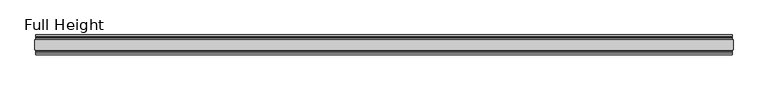
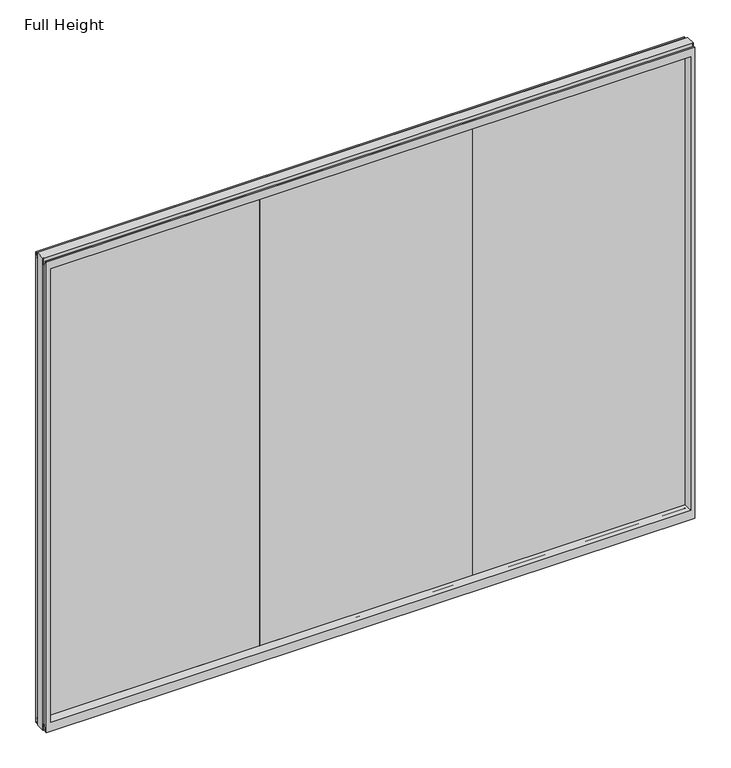
"""IFC4 building model written with IfcOpenShell, lengths in millimetres: plate geometry, Full Height."""

from ifc_helpers import new_model, si_unit, frame, origin, place, context, project, spatial, polyline, circle_curve, outline, extrude, source, transform, mapped, element, save
from ifc_brep_helpers import plane_surface, cylinder_surface, revolved_surface, advanced_brep


def full_height_6da374fe(model_context):
    return source(origin(), model_context, "Body", "SolidModel", [
        extrude(outline(polyline([(572.5265984, 6.35), (572.5265984, -6.35), (-572.5265984, -6.35), (-572.5265984, 6.35), (572.5265984, 6.35)])), frame((0.0, 0.0, 58.801), z_axis=(0.0, 0.0, 1.0), x_axis=(1.0, 0.0, 0.0)), (0.0, 0.0, 1.0), 2569.845),
        extrude(outline(polyline([(-572.5265984, 6.35), (-572.5265984, -6.35), (-1717.5797952, -6.35), (-1717.5797952, 6.35), (-572.5265984, 6.35)])), frame((0.0, 0.0, 58.801), z_axis=(0.0, 0.0, 1.0), x_axis=(1.0, 0.0, 0.0)), (0.0, 0.0, 1.0), 2569.845),
        extrude(outline(polyline([(572.5265984, 6.35), (1717.5797952, 6.35), (1717.5797952, -6.35), (572.5265984, -6.35), (572.5265984, 6.35)])), frame((0.0, 0.0, 58.801), z_axis=(0.0, 0.0, 1.0), x_axis=(1.0, 0.0, 0.0)), (0.0, 0.0, 1.0), 2569.845),
        advanced_brep(
        [(1750.2187952, 25.146, 2688.336), (1745.6467952, 25.146, 2688.336), (1745.6467952, 26.67, 2688.336), (-1745.6467952, 26.67, 2688.336), (-1745.6467952, 25.146, 2688.336), (-1750.2187952, 25.146, 2688.336), (-1750.2187952, -25.146, 2688.336), (-1745.6467952, -25.146, 2688.336), (-1745.6467952, -26.67, 2688.336), (1745.6467952, -26.67, 2688.336), (1745.6467952, -25.146, 2688.336), (1750.2187952, -25.146, 2688.336), (1750.2187952, 25.146, 0.0), (1750.2187952, -25.146, 0.0), (1745.6467952, -25.146, 0.0), (1745.6467952, -26.67, 0.0), (-1745.6467952, -26.67, 0.0), (-1745.6467952, -25.146, 0.0), (-1750.2187952, -25.146, 0.0), (-1750.2187952, 25.146, 0.0), (-1745.6467952, 25.146, 0.0), (-1745.6467952, 26.67, 0.0), (1745.6467952, 26.67, 0.0), (1745.6467952, 25.146, 0.0), (-1745.6467952, 40.7946686, 0.0), (-1745.6467952, 50.0, 0.0), (1745.6467952, 50.0, 0.0), (1745.6467952, 40.7946686, 0.0), (-1745.6467952, 26.67, 36.4542208), (1745.6467952, 26.67, 36.4542208), (-1745.6467952, -26.67, 36.4542208), (-1745.6467952, -34.2686707, 36.8568054), (-1745.6467952, -36.9464913, 11.6561909), (-1745.6467952, -39.043018, 8.6755976), (-1745.6467952, -39.5246686, 7.9074686), (-1745.6467952, -39.5246686, 1.27), (-1745.6467952, -40.7946686, 0.0), (-1745.6467952, -50.0, 0.0), (-1745.6467952, -50.0, 2679.192), (-1745.6467952, -39.9371387, 2679.192), (-1745.6467952, -39.1867152, 2678.5623199), (-1745.6467952, -34.2321175, 2650.4634004), (-1745.6467952, -26.67, 2651.125), (-1745.6467952, 39.5246686, 1.27), (-1745.6467952, 39.5246686, 7.9074686), (-1745.6467952, 39.043018, 8.6755976), (-1745.6467952, 36.9464913, 11.6561909), (-1745.6467952, 34.2686707, 36.8568054), (-1745.6467952, 26.67, 2651.125), (-1745.6467952, 34.2321175, 2650.4634004), (-1745.6467952, 39.1867152, 2678.5623199), (-1745.6467952, 39.9371387, 2679.192), (-1745.6467952, 50.0, 2679.192), (1745.6467952, -50.0, 0.0), (1745.6467952, -50.0, 2679.192), (-1723.5487952, -50.0, 2634.615), (1723.5487952, -50.0, 2634.615), (1723.5487952, -50.0, 52.8372208), (-1723.5487952, -50.0, 52.8372208), (1745.6467952, 50.0, 2679.192), (-1723.5487952, 50.0, 52.8372208), (1723.5487952, 50.0, 52.8372208), (1723.5487952, 50.0, 2634.615), (-1723.5487952, 50.0, 2634.615), (-1717.5797952, -6.1006519, 58.8062208), (-1717.5797952, -6.1006519, 2628.646), (-1717.5797952, 6.1006519, 2628.646), (-1717.5797952, 6.1006519, 58.8062208), (1717.5797952, 6.1006519, 58.8062208), (1717.5797952, 6.1006519, 2628.646), (1717.5797952, -6.1006519, 2628.646), (1717.5797952, -6.1006519, 58.8062208), (1745.6467952, -40.7946686, 0.0), (1745.6467952, -39.5246686, 1.27), (1745.6467952, -39.5246686, 7.9074686), (1745.6467952, -39.043018, 8.6755976), (1745.6467952, -36.9464913, 11.6561909), (1745.6467952, -34.2686707, 36.8568054), (1745.6467952, -26.67, 36.4542208), (1745.6467952, -26.67, 2651.125), (1745.6467952, -34.2321175, 2650.4634004), (1745.6467952, -39.1867152, 2678.5623199), (1745.6467952, -39.9371387, 2679.192), (1745.6467952, 39.9371387, 2679.192), (1745.6467952, 39.1867152, 2678.5623199), (1745.6467952, 34.2321175, 2650.4634004), (1745.6467952, 26.67, 2651.125), (1745.6467952, 34.2686707, 36.8568054), (1745.6467952, 36.9464913, 11.6561909), (1745.6467952, 39.043018, 8.6755976), (1745.6467952, 39.5246686, 7.9074686), (1745.6467952, 39.5246686, 1.27)],
        [
            (0, 1),
            (1, 2),
            (2, 3),
            (3, 4),
            (4, 5),
            (5, 6),
            (6, 7),
            (7, 8),
            (8, 9),
            (9, 10),
            (10, 11),
            (11, 0),
            (12, 13),
            (13, 14),
            (14, 15),
            (15, 16),
            (16, 17),
            (17, 18),
            (18, 19),
            (19, 20),
            (20, 21),
            (21, 22),
            (22, 23),
            (23, 12),
            (23, 1),
            (0, 12),
            (10, 14),
            (13, 11),
            (5, 19),
            (18, 6),
            (17, 7),
            (4, 20),
            (24, 25),
            (25, 26),
            (26, 27),
            (27, 24),
            (21, 28),
            (28, 29),
            (29, 22),
            (16, 30),
            (30, 31, circle_curve(frame((-1745.6467952, -30.48, 36.4542208), z_axis=(1.0, 0.0, 0.0), x_axis=(0.0, -1.0, 0.0)), 3.81)),
            (31, 32),
            (32, 33, circle_curve(frame((-1745.6467952, -40.6770502, 12.0526006), z_axis=(-1.0, 0.0, 0.0), x_axis=(0.0, -1.0, 0.0)), 3.751561)),
            (33, 34, circle_curve(frame((-1745.6467952, -38.671343, 7.9074686), z_axis=(1.0, 0.0, 0.0), x_axis=(0.0, -1.0, 0.0)), 0.8533256)),
            (34, 35),
            (35, 36, circle_curve(frame((-1745.6467952, -40.7946686, 1.27), z_axis=(-1.0, 0.0, 0.0), x_axis=(0.0, -1.0, 0.0)), 1.27)),
            (36, 37),
            (37, 38),
            (38, 39),
            (39, 40, circle_curve(frame((-1745.6467952, -39.9371387, 2678.43), z_axis=(-1.0, 0.0, 0.0), x_axis=(0.0, -1.0, 0.0)), 0.762)),
            (40, 41),
            (41, 42, circle_curve(frame((-1745.6467952, -30.48, 2651.125), z_axis=(1.0, 0.0, 0.0), x_axis=(0.0, -1.0, 0.0)), 3.81)),
            (42, 8),
            (24, 43, circle_curve(frame((-1745.6467952, 40.7946686, 1.27), z_axis=(-1.0, 0.0, 0.0), x_axis=(0.0, -1.0, 0.0)), 1.27)),
            (43, 44),
            (44, 45, circle_curve(frame((-1745.6467952, 38.671343, 7.9074686), z_axis=(1.0, 0.0, 0.0), x_axis=(0.0, -1.0, 0.0)), 0.8533256)),
            (45, 46, circle_curve(frame((-1745.6467952, 40.6770502, 12.0526006), z_axis=(-1.0, 0.0, 0.0), x_axis=(0.0, -1.0, 0.0)), 3.751561)),
            (46, 47),
            (47, 28, circle_curve(frame((-1745.6467952, 30.48, 36.4542208), z_axis=(1.0, 0.0, 0.0), x_axis=(0.0, -1.0, 0.0)), 3.81)),
            (3, 48),
            (48, 49, circle_curve(frame((-1745.6467952, 30.48, 2651.125), z_axis=(1.0, 0.0, 0.0), x_axis=(0.0, -1.0, 0.0)), 3.81)),
            (49, 50),
            (50, 51, circle_curve(frame((-1745.6467952, 39.9371387, 2678.43), z_axis=(-1.0, 0.0, 0.0), x_axis=(0.0, -1.0, 0.0)), 0.762)),
            (51, 52),
            (52, 25),
            (37, 53),
            (53, 54),
            (54, 38),
            (55, 56),
            (56, 57),
            (57, 58),
            (58, 55),
            (52, 59),
            (59, 26),
            (60, 61),
            (61, 62),
            (62, 63),
            (63, 60),
            (58, 64),
            (64, 65),
            (65, 55),
            (63, 66),
            (66, 67),
            (67, 60),
            (61, 68),
            (68, 69),
            (69, 62),
            (70, 71),
            (71, 57),
            (56, 70),
            (53, 72),
            (72, 73, circle_curve(frame((1745.6467952, -40.7946686, 1.27), z_axis=(1.0, 0.0, 0.0), x_axis=(0.0, -1.0, 0.0)), 1.27)),
            (73, 74),
            (74, 75, circle_curve(frame((1745.6467952, -38.671343, 7.9074686), z_axis=(-1.0, 0.0, 0.0), x_axis=(0.0, -1.0, 0.0)), 0.8533256)),
            (75, 76, circle_curve(frame((1745.6467952, -40.6770502, 12.0526006), z_axis=(1.0, 0.0, 0.0), x_axis=(0.0, -1.0, 0.0)), 3.751561)),
            (76, 77),
            (77, 78, circle_curve(frame((1745.6467952, -30.48, 36.4542208), z_axis=(-1.0, 0.0, 0.0), x_axis=(0.0, -1.0, 0.0)), 3.81)),
            (78, 15),
            (9, 79),
            (79, 80, circle_curve(frame((1745.6467952, -30.48, 2651.125), z_axis=(-1.0, 0.0, 0.0), x_axis=(0.0, -1.0, 0.0)), 3.81)),
            (80, 81),
            (81, 82, circle_curve(frame((1745.6467952, -39.9371387, 2678.43), z_axis=(1.0, 0.0, 0.0), x_axis=(0.0, -1.0, 0.0)), 0.762)),
            (82, 54),
            (59, 83),
            (83, 84, circle_curve(frame((1745.6467952, 39.9371387, 2678.43), z_axis=(1.0, 0.0, 0.0), x_axis=(0.0, -1.0, 0.0)), 0.762)),
            (84, 85),
            (85, 86, circle_curve(frame((1745.6467952, 30.48, 2651.125), z_axis=(-1.0, 0.0, 0.0), x_axis=(0.0, -1.0, 0.0)), 3.81)),
            (86, 2),
            (29, 87, circle_curve(frame((1745.6467952, 30.48, 36.4542208), z_axis=(-1.0, 0.0, 0.0), x_axis=(0.0, -1.0, 0.0)), 3.81)),
            (87, 88),
            (88, 89, circle_curve(frame((1745.6467952, 40.6770502, 12.0526006), z_axis=(1.0, 0.0, 0.0), x_axis=(0.0, -1.0, 0.0)), 3.751561)),
            (89, 90, circle_curve(frame((1745.6467952, 38.671343, 7.9074686), z_axis=(-1.0, 0.0, 0.0), x_axis=(0.0, -1.0, 0.0)), 0.8533256)),
            (90, 91),
            (91, 27, circle_curve(frame((1745.6467952, 40.7946686, 1.27), z_axis=(1.0, 0.0, 0.0), x_axis=(0.0, -1.0, 0.0)), 1.27)),
            (91, 43),
            (90, 44),
            (89, 45),
            (88, 46),
            (87, 47),
            (78, 30),
            (31, 77),
            (76, 32),
            (75, 33),
            (74, 34),
            (73, 35),
            (72, 36),
            (71, 64),
            (67, 68),
            (86, 48),
            (85, 49),
            (84, 50),
            (83, 51),
            (69, 66),
            (65, 70),
            (82, 39),
            (81, 40),
            (80, 41),
            (79, 42),
            (65, 66),
            (69, 70),
            (71, 68),
            (67, 64),
        ],
        [
            plane_surface(frame((1745.6467952, 25.146, 2688.336), z_axis=(0.0, 0.0, 1.0), x_axis=(-1.0, 0.0, 0.0))),
            plane_surface(frame((1745.6467952, 25.146, 0.0), z_axis=(0.0, 0.0, -1.0), x_axis=(1.0, 0.0, 0.0))),
            plane_surface(frame((1750.2187952, 25.146, 2688.336), z_axis=(0.0, 1.0, 0.0), x_axis=(0.0, 0.0, -1.0))),
            plane_surface(frame((1745.6467952, -25.146, 2688.336), z_axis=(0.0, -1.0, 0.0), x_axis=(0.0, 0.0, -1.0))),
            plane_surface(frame((1750.2187952, -25.146, 2688.336), z_axis=(1.0, 0.0, 0.0), x_axis=(0.0, 0.0, -1.0))),
            plane_surface(frame((-1750.2187952, 25.146, 2688.336), z_axis=(-1.0, 0.0, 0.0), x_axis=(0.0, 0.0, -1.0))),
            plane_surface(frame((-1750.2187952, -25.146, 2688.336), z_axis=(0.0, -1.0, 0.0), x_axis=(0.0, 0.0, -1.0))),
            plane_surface(frame((-1745.6467952, 25.146, 2688.336), z_axis=(0.0, 1.0, 0.0), x_axis=(0.0, 0.0, -1.0))),
            plane_surface(frame((-1745.6467952, 50.0, 0.0), z_axis=(0.0, 0.0, -1.0), x_axis=(1.0, 0.0, 0.0))),
            plane_surface(frame((-1745.6467952, 26.67, 36.4542208), z_axis=(0.0, 1.0, 0.0), x_axis=(1.0, 0.0, 0.0))),
            plane_surface(frame((-1745.6467952, 50.0, 2646.4006), z_axis=(-1.0, 0.0, 0.0), x_axis=(0.0, 0.0, -1.0))),
            plane_surface(frame((-1745.6467952, -50.0, 2646.4006), z_axis=(0.0, -1.0, 0.0), x_axis=(0.0, 0.0, -1.0))),
            plane_surface(frame((-1723.5487952, 50.0, 2646.4006), z_axis=(0.0, 1.0, 0.0), x_axis=(0.0, 0.0, -1.0))),
            plane_surface(frame((-1723.5487952, -50.0, 2646.4006), z_axis=(0.9908822943533606, -0.13473039277393942, 0.0), x_axis=(0.0, 0.0, -1.0))),
            plane_surface(frame((-1717.5797952, 6.1006519, 2646.4006), z_axis=(0.9908822943533612, 0.13473039277393595, 0.0), x_axis=(0.0, 0.0, -1.0))),
            plane_surface(frame((1723.5487952, 50.0, 2646.4006), z_axis=(-0.9908822943533593, 0.13473039277394933, 0.0), x_axis=(0.0, 0.0, -1.0))),
            plane_surface(frame((1717.5797952, -6.1006519, 2646.4006), z_axis=(-0.9908822943533551, -0.13473039277398055, 0.0), x_axis=(0.0, 0.0, -1.0))),
            plane_surface(frame((1745.6467952, -50.0, 2646.4006), z_axis=(1.0, 0.0, 0.0), x_axis=(0.0, 0.0, -1.0))),
            cylinder_surface(frame((1745.6467952, 40.7946686, 1.27), z_axis=(-1.0, 0.0, 0.0), x_axis=(0.0, -1.0, 0.0)), 1.27),
            plane_surface(frame((-1745.6467952, 39.5246686, 1.27), z_axis=(0.0, -1.0, 0.0), x_axis=(1.0, 0.0, 0.0))),
            revolved_surface(polyline([(1745.6467952, 37.8180174, 7.9074686), (-1745.6467952, 37.8180174, 7.9074686)]), (1745.6467952, 38.671343, 7.9074686), (1.0, 0.0, 0.0)),
            cylinder_surface(frame((1745.6467952, 40.6770502, 12.0526006), z_axis=(-1.0, 0.0, 0.0), x_axis=(0.0, -1.0, 0.0)), 3.751561),
            plane_surface(frame((-1745.6467952, 36.9464913, 11.6561909), z_axis=(0.0, -0.9944017560866671, -0.10566526151840369), x_axis=(1.0, 0.0, 0.0))),
            plane_surface(frame((-1745.6467952, -26.67, 0.0), z_axis=(0.0, -1.0, 0.0), x_axis=(1.0, 0.0, 0.0))),
            plane_surface(frame((-1745.6467952, -34.2686707, 36.8568054), z_axis=(0.0, 0.994401756086622, -0.10566526151882911), x_axis=(1.0, 0.0, 0.0))),
            cylinder_surface(frame((1745.6467952, -40.6770502, 12.0526006), z_axis=(-1.0, 0.0, 0.0), x_axis=(0.0, -1.0, 0.0)), 3.751561),
            revolved_surface(polyline([(1745.6467952, -39.5246686, 7.9074686), (-1745.6467952, -39.5246686, 7.9074686)]), (1745.6467952, -38.671343, 7.9074686), (1.0, 0.0, 0.0)),
            plane_surface(frame((-1745.6467952, -39.5246686, 7.9074686), z_axis=(0.0, 1.0, 0.0), x_axis=(1.0, 0.0, 0.0))),
            cylinder_surface(frame((1745.6467952, -40.7946686, 1.27), z_axis=(-1.0, 0.0, 0.0), x_axis=(0.0, -1.0, 0.0)), 1.27),
            plane_surface(frame((-1745.6467952, -40.7946686, 0.0), z_axis=(0.0, 0.0, -1.0), x_axis=(1.0, 0.0, 0.0))),
            plane_surface(frame((-1745.6467952, -50.0, 52.8372208), z_axis=(0.0, -0.13473039277394736, 0.9908822943533596), x_axis=(1.0, 0.0, 0.0))),
            plane_surface(frame((-1745.6467952, 6.1006519, 58.8062208), z_axis=(0.0, 0.13473039277399929, 0.9908822943533526), x_axis=(1.0, 0.0, 0.0))),
            revolved_surface(polyline([(1745.6467952, 26.67, 36.4542208), (-1745.6467952, 26.67, 36.4542208)]), (1745.6467952, 30.48, 36.4542208), (1.0, 0.0, 0.0)),
            revolved_surface(polyline([(1745.6467952, -34.29, 36.4542208), (-1745.6467952, -34.29, 36.4542208)]), (1745.6467952, -30.48, 36.4542208), (1.0, 0.0, 0.0)),
            plane_surface(frame((-1745.6467952, 26.67, 2688.336), z_axis=(0.0, 1.0, 0.0), x_axis=(1.0, 0.0, 0.0))),
            revolved_surface(polyline([(1745.6467951999998, 26.67, 2651.125), (-1745.6467952, 26.67, 2651.125)]), (-1750.2187952, 30.48, 2651.125), (1.0, 0.0, 0.0)),
            plane_surface(frame((-1745.6467952, 34.2321175, 2650.4634004), z_axis=(0.0, -0.9848077530113118, 0.17364817767201302), x_axis=(1.0, 0.0, 0.0))),
            cylinder_surface(frame((-1750.2187952, 39.9371387, 2678.43), z_axis=(-1.0, 0.0, 0.0), x_axis=(0.0, -1.0, 0.0)), 0.762),
            plane_surface(frame((-1745.6467952, 39.9371387, 2679.192), z_axis=(0.0, 0.0, 1.0), x_axis=(1.0, 0.0, 0.0))),
            plane_surface(frame((-1745.6467952, 50.0, 2634.615), z_axis=(0.0, 0.13473039277345053, -0.9908822943534271), x_axis=(1.0, 0.0, 0.0))),
            plane_surface(frame((-1745.6467952, -6.1006519, 2628.646), z_axis=(0.0, -0.13473039277247864, -0.9908822943535593), x_axis=(1.0, 0.0, 0.0))),
            plane_surface(frame((-1745.6467952, -50.0, 2679.192), z_axis=(0.0, 0.0, 1.0), x_axis=(1.0, 0.0, 0.0))),
            cylinder_surface(frame((-1750.2187952, -39.9371387, 2678.43), z_axis=(-1.0, 0.0, 0.0), x_axis=(0.0, -1.0, 0.0)), 0.762),
            plane_surface(frame((-1745.6467952, -39.1867152, 2678.5623199), z_axis=(0.0, 0.9848077530103964, 0.17364817767720503), x_axis=(1.0, 0.0, 0.0))),
            revolved_surface(polyline([(1745.6467951999998, -34.29, 2651.125), (-1745.6467952, -34.29, 2651.125)]), (-1750.2187952, -30.48, 2651.125), (1.0, 0.0, 0.0)),
            plane_surface(frame((-1745.6467952, -26.67, 2651.125), z_axis=(0.0, -1.0, 0.0), x_axis=(1.0, 0.0, 0.0))),
            plane_surface(frame((-1745.6467952, 6.1006519, 2628.646), z_axis=(0.0, 0.0, -1.0), x_axis=(1.0, 0.0, 0.0))),
            plane_surface(frame((-1745.6467952, -6.1006519, 58.8062208), z_axis=(0.0, 0.0, 1.0), x_axis=(1.0, 0.0, 0.0))),
            plane_surface(frame((-1717.5797952, -6.1006519, 2646.4006), z_axis=(1.0, 0.0, 0.0), x_axis=(0.0, 0.0, -1.0))),
            plane_surface(frame((1717.5797952, 6.1006519, 2646.4006), z_axis=(-1.0, 0.0, 0.0), x_axis=(0.0, 0.0, -1.0))),
        ],
        [
            (0, [[1, 2, 3, 4, 5, 6, 7, 8, 9, 10, 11, 12]]),
            (1, [[13, 14, 15, 16, 17, 18, 19, 20, 21, 22, 23, 24]]),
            (2, [[25, -1, 26, -24]]),
            (3, [[-11, 27, -14, 28]]),
            (4, [[-12, -28, -13, -26]]),
            (5, [[-6, 29, -19, 30]]),
            (6, [[31, -7, -30, -18]]),
            (7, [[-5, 32, -20, -29]]),
            (8, [[33, 34, 35, 36]]),
            (9, [[37, 38, 39, -22]]),
            (10, [[-17, 40, 41, 42, 43, 44, 45, 46, 47, 48, 49, 50, 51, 52, 53, -8, -31]]),
            (10, [[-33, 54, 55, 56, 57, 58, 59, -37, -21, -32, -4, 60, 61, 62, 63, 64, 65]]),
            (11, [[-48, 66, 67, 68], [69, 70, 71, 72]]),
            (12, [[-65, 73, 74, -34], [75, 76, 77, 78]]),
            (13, [[-72, 79, 80, 81]]),
            (14, [[-78, 82, 83, 84]]),
            (15, [[-76, 85, 86, 87]]),
            (16, [[88, 89, -70, 90]]),
            (17, [[-67, 91, 92, 93, 94, 95, 96, 97, 98, -15, -27, -10, 99, 100, 101, 102, 103]]),
            (17, [[-74, 104, 105, 106, 107, 108, -2, -25, -23, -39, 109, 110, 111, 112, 113, 114, -35]]),
            (18, [[-54, -36, -114, 115]]),
            (19, [[-55, -115, -113, 116]]),
            (20, [[-56, -116, -112, 117]]),
            (21, [[-57, -117, -111, 118]]),
            (22, [[-58, -118, -110, 119]]),
            (23, [[-40, -16, -98, 120]]),
            (24, [[-42, 121, -96, 122]]),
            (25, [[-43, -122, -95, 123]]),
            (26, [[-44, -123, -94, 124]]),
            (27, [[-45, -124, -93, 125]]),
            (28, [[-46, -125, -92, 126]]),
            (29, [[-47, -126, -91, -66]]),
            (30, [[-71, -89, 127, -79]]),
            (31, [[-75, -84, 128, -85]]),
            (32, [[-59, -119, -109, -38]]),
            (33, [[-41, -120, -97, -121]]),
            (34, [[-60, -3, -108, 129]]),
            (35, [[-61, -129, -107, 130]]),
            (36, [[-62, -130, -106, 131]]),
            (37, [[-63, -131, -105, 132]]),
            (38, [[-64, -132, -104, -73]]),
            (39, [[-77, -87, 133, -82]]),
            (40, [[-69, -81, 134, -90]]),
            (41, [[-49, -68, -103, 135]]),
            (42, [[-50, -135, -102, 136]]),
            (43, [[-51, -136, -101, 137]]),
            (44, [[-52, -137, -100, 138]]),
            (45, [[-53, -138, -99, -9]]),
            (46, [[-134, 139, -133, 140]]),
            (47, [[-127, 141, -128, 142]]),
            (48, [[-83, -139, -80, -142]]),
            (49, [[-88, -140, -86, -141]]),
        ],
    ),
        extrude(outline(polyline([(-1717.5797952, 6.35), (1717.5797952, 6.35), (1717.5797952, -6.35), (-1717.5797952, -6.35), (-1717.5797952, 6.35)])), frame((0.0, 0.0, 58.8062208), z_axis=(0.0, 0.0, 1.0), x_axis=(1.0, 0.0, 0.0)), (0.0, 0.0, 1.0), 2569.8397792),
    ])


if __name__ == "__main__":
    model = new_model("IFC4")
    model_context = context("Model", 3, world=origin())
    ifc_project = project(units=[si_unit("LENGTHUNIT", "METRE", prefix="MILLI")], contexts=[model_context])
    site = spatial("IfcSite", under=ifc_project)
    building = spatial("IfcBuilding", under=site)
    placement = place(None, origin())
    full_height_shape = full_height_6da374fe(model_context)
    element("IfcPlate", 1, ObjectType="Full Height", at=placement, inside=building, context=model_context, shape_type="MappedRepresentation", body=[
        mapped(full_height_shape, transform((0.0, 0.0, 0.0), x_axis=(1.0, 0.0, 0.0), y_axis=(0.0, 1.0, 0.0), z_axis=(0.0, 0.0, 1.0))),
    ])
    save(model, "model.ifc")
